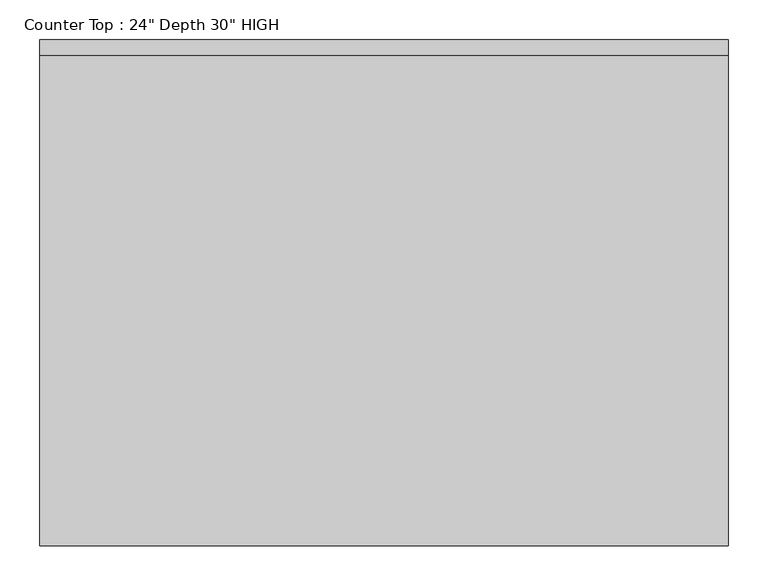
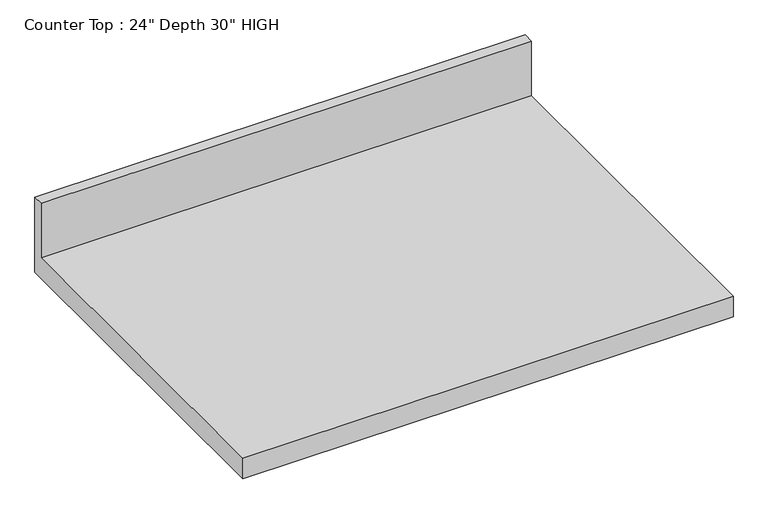
"""IFC4 building model written with IfcOpenShell, lengths in millimetres: furniture geometry."""

from ifc_helpers import new_model, si_unit, frame, origin, place, context, project, spatial, polyline, outline, extrude, source, transform, mapped, element, save


def furniture_ff470100(model_context):
    return source(origin(), model_context, "Body", "SweptSolid", [
        extrude(outline(polyline([(0.0, 965.2), (0.0, 825.5), (-635.0, 825.5), (-635.0, 863.6), (-19.05, 863.6), (-19.05, 965.2), (0.0, 965.2)])), frame((-1200.4622951, 0.0, 0.0), z_axis=(1.0, 0.0, 0.0), x_axis=(0.0, 1.0, 0.0)), (0.0, 0.0, 1.0), 863.6),
    ])


if __name__ == "__main__":
    model = new_model("IFC4")
    model_context = context("Model", 3, world=origin())
    ifc_project = project(units=[si_unit("LENGTHUNIT", "METRE", prefix="MILLI")], contexts=[model_context])
    site = spatial("IfcSite", under=ifc_project)
    building = spatial("IfcBuilding", under=site)
    placement = place(None, origin())
    furniture_shape = furniture_ff470100(model_context)
    element("IfcFurniture", 1, ObjectType="Counter Top : 24\" Depth 30\" HIGH", at=placement, inside=building, context=model_context, shape_type="MappedRepresentation", body=[
        mapped(furniture_shape, transform((0.0, 0.0, 0.0), x_axis=(1.0, 0.0, 0.0), y_axis=(0.0, 1.0, 0.0), z_axis=(0.0, 0.0, 1.0))),
    ])
    save(model, "model.ifc")
